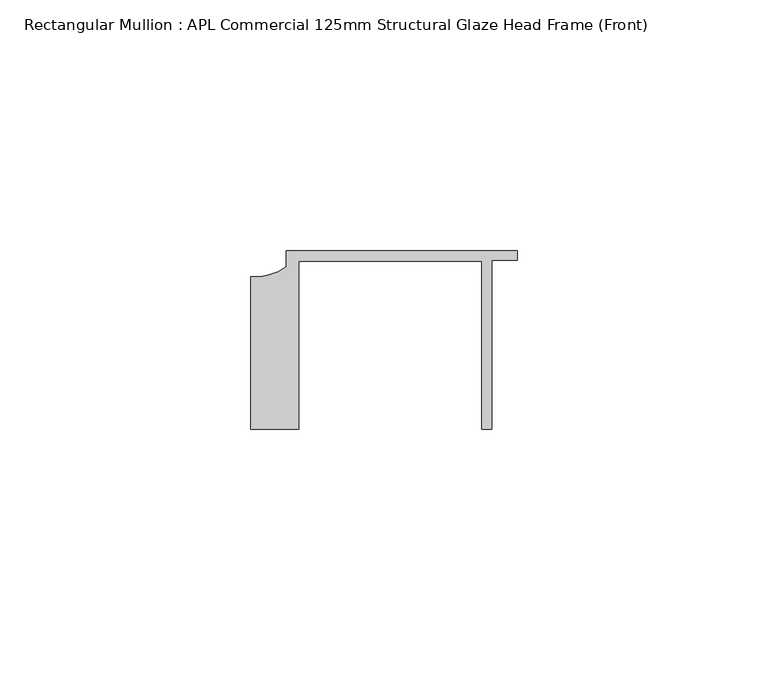
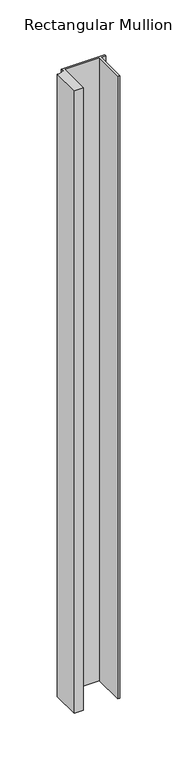
"""IFC4 building model written with IfcOpenShell, lengths in millimetres: member geometry, Rectangular Mullion : APL Commercial 125mm Structural Glaze Head Frame (Front)."""

from ifc_helpers import new_model, si_unit, point, frame, frame_2d, origin, place, context, project, spatial, polyline, circle_curve, trimmed, segment, composite_curve, outline, extrude, source, transform, mapped, element, save


def rectangular_mullion_apl_commercial_125mm_structural_glaze_0751e28a(model_context):
    return source(origin(), model_context, "Body", "SweptSolid", [
        extrude(outline(composite_curve([segment(polyline([(-52.9999542, -15.0), (-52.9999542, 15.3798304)]), True, "CONTINUOUS"), segment(trimmed(circle_curve(frame_2d((-52.109817, 25.7982641)), 10.4563907), [point((-52.9999542, 15.3798304))], [point((-45.9999994, 17.3126154))], True, "CARTESIAN"), True, "CONTINUOUS"), segment(polyline([(-45.9999994, 17.3126154), (-45.9999994, 20.5002486), (0.0, 20.5002486), (0.0, 18.7002486), (-5.0, 18.7002486), (-5.0, -15.0), (-7.0, -15.0), (-7.0, 18.5002486), (-43.5000151, 18.5002486), (-43.5000151, -15.0), (-52.9999542, -15.0)]), True, "CONTINUOUS")], self_intersect=False)), frame((0.0, 0.0, -695.1471772), z_axis=(0.0, 0.0, 1.0), x_axis=(1.0, 0.0, 0.0)), (0.0, 0.0, 1.0), 695.1471772),
    ])


if __name__ == "__main__":
    model = new_model("IFC4")
    model_context = context("Model", 3, world=origin())
    ifc_project = project(units=[si_unit("LENGTHUNIT", "METRE", prefix="MILLI")], contexts=[model_context])
    site = spatial("IfcSite", under=ifc_project)
    building = spatial("IfcBuilding", under=site)
    placement = place(None, origin())
    rectangular_mullion_apl_commercial_125mm_structural_glaze_shape = rectangular_mullion_apl_commercial_125mm_structural_glaze_0751e28a(model_context)
    element("IfcMember", 1, ObjectType="Rectangular Mullion : APL Commercial 125mm Structural Glaze Head Frame (Front)", at=placement, inside=building, context=model_context, shape_type="MappedRepresentation", body=[
        mapped(rectangular_mullion_apl_commercial_125mm_structural_glaze_shape, transform((0.0, 0.0, 0.0), x_axis=(1.0, 0.0, 0.0), y_axis=(0.0, 1.0, 0.0), z_axis=(0.0, 0.0, 1.0))),
    ])
    save(model, "model.ifc")
